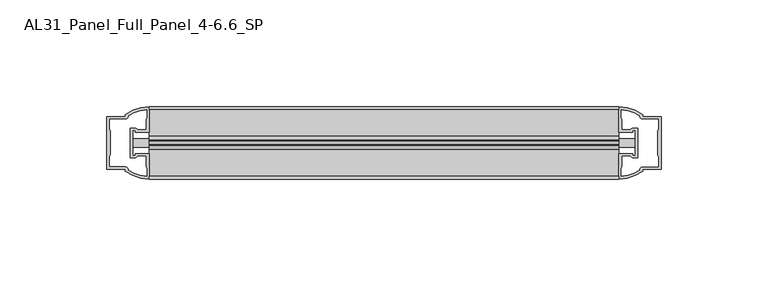
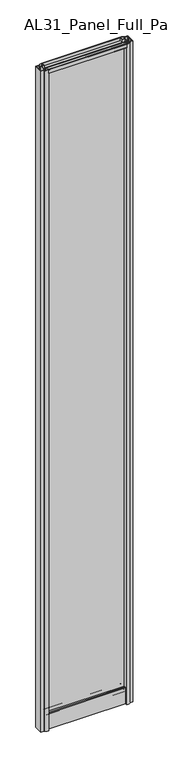
"""IFC4 building model written with IfcOpenShell, lengths in millimetres: plate geometry, AL31_Panel_Full_Panel_4-6.6_SP."""

import ifcopenshell
import ifcopenshell.guid

model = None  # the IFC model being written
_history = None  # IfcOwnerHistory: only IFC2X3 demands one
_inside = {}  # id of a spatial element -> (the spatial element, [elements in it])
_under = {}  # id of a project, library or spatial element -> (it, [spatial elements below it])
_declared = {}  # id of a project -> (the project, [libraries it declares])
_typed = {}  # id of a type object -> (the type object, [elements of that type])
_made_of = {}  # id of a material, layer set ... -> (it, [elements and type objects made of it])


def new_model(schema):
    """Start an empty IFC model of exactly this schema.

    Asked for "IFC4X3", IfcOpenShell would pick the latest addendum, in which some entities
    have other attributes; the version numbers below select the first issue.
    IFC2X3 requires an IfcOwnerHistory on every rooted entity: one is made here for all.
    """
    global model, _history
    if schema == "IFC4X3":
        model = ifcopenshell.file(schema_version=(4, 3, 0, 0))
    else:
        model = ifcopenshell.file(schema=schema)
    _inside.clear()
    _under.clear()
    _declared.clear()
    _typed.clear()
    _made_of.clear()
    _history = None
    if model.schema == "IFC2X3":
        org = make("IfcOrganization", Name="unknown")
        user = make(
            "IfcPersonAndOrganization",
            ThePerson=make("IfcPerson", FamilyName="unknown"),
            TheOrganization=org,
        )
        app = make(
            "IfcApplication",
            ApplicationDeveloper=org,
            Version="unknown",
            ApplicationFullName="unknown",
            ApplicationIdentifier="unknown",
        )
        _history = make(
            "IfcOwnerHistory",
            OwningUser=user,
            OwningApplication=app,
            ChangeAction="ADDED",
            CreationDate=0,
        )
    return model


def make(cls, **values):
    """One entity of the class cls with the attributes given. An attribute that is None is left unset."""
    return model.create_entity(
        cls, **{name: value for name, value in values.items() if value is not None}
    )


def rooted(cls, **values):
    """An entity with a GlobalId (a new one), such as an element, a storey or a relation."""
    return make(cls, GlobalId=ifcopenshell.guid.new(), OwnerHistory=_history, **values)


def si_unit(unit_type, name, prefix=None):
    """IfcSIUnit, for example si_unit("LENGTHUNIT", "METRE", prefix="MILLI")."""
    return make("IfcSIUnit", UnitType=unit_type, Prefix=prefix, Name=name)


def assignment(units):
    """IfcUnitAssignment: the units of a project."""
    return None if units is None else make("IfcUnitAssignment", Units=units)


def point(xyz):
    """IfcCartesianPoint."""
    return None if xyz is None else make("IfcCartesianPoint", Coordinates=xyz)


def direction(xyz):
    """IfcDirection."""
    return None if xyz is None else make("IfcDirection", DirectionRatios=xyz)


def frame(location, z_axis=None, x_axis=None):
    """IfcAxis2Placement3D, a coordinate frame: its origin and axes. An axis left out is left unset."""
    return make(
        "IfcAxis2Placement3D",
        Location=point(location),
        Axis=direction(z_axis),
        RefDirection=direction(x_axis),
    )


def frame_2d(location, x_axis=None):
    """IfcAxis2Placement2D, a coordinate frame in the plane: its origin and x axis."""
    return make(
        "IfcAxis2Placement2D", Location=point(location), RefDirection=direction(x_axis)
    )


def origin():
    """The frame at (0, 0, 0) with its axes left unset."""
    return frame((0.0, 0.0, 0.0))


def origin_with_axes():
    """The frame at (0, 0, 0) with the z axis (0, 0, 1) and the x axis (1, 0, 0) written out."""
    return frame((0.0, 0.0, 0.0), z_axis=(0.0, 0.0, 1.0), x_axis=(1.0, 0.0, 0.0))


def place(relative_to, where):
    """IfcLocalPlacement: puts the frame where relative to a parent placement (None: the world)."""
    return make(
        "IfcLocalPlacement", PlacementRelTo=relative_to, RelativePlacement=where
    )


def context(
    kind, dimensions, precision=None, world=None, true_north=None, identifier=None
):
    """IfcGeometricRepresentationContext, for example the 3D "Model" context."""
    return make(
        "IfcGeometricRepresentationContext",
        ContextIdentifier=identifier,
        ContextType=kind,
        CoordinateSpaceDimension=dimensions,
        Precision=precision,
        WorldCoordinateSystem=world,
        TrueNorth=true_north,
    )


def project(units=None, contexts=None):
    """IfcProject with its units and contexts."""
    return rooted(
        "IfcProject",
        Name="project",
        RepresentationContexts=contexts,
        UnitsInContext=assignment(units),
    )


def spatial(cls, under=None, at=None, **own):
    """A site, building, storey or space (cls), placed at a placement, below another one or the project."""
    s = rooted(cls, ObjectPlacement=at, **own)
    if under is not None:
        _under.setdefault(under.id(), (under, []))[1].append(s)
    return s


def polyline(points):
    """IfcPolyline through the points."""
    return make("IfcPolyline", Points=[point(p) for p in points])


def circle_curve(where, radius):
    """IfcCircle in the frame where."""
    return make("IfcCircle", Position=where, Radius=radius)


def trimmed(basis, trim1, trim2, sense, master):
    """IfcTrimmedCurve: the piece of a basis curve between two trims."""
    return make(
        "IfcTrimmedCurve",
        BasisCurve=basis,
        Trim1=trim1,
        Trim2=trim2,
        SenseAgreement=sense,
        MasterRepresentation=master,
    )


def segment(curve, same_sense, transition):
    """IfcCompositeCurveSegment."""
    return make(
        "IfcCompositeCurveSegment",
        Transition=transition,
        SameSense=same_sense,
        ParentCurve=curve,
    )


def composite_curve(segments, self_intersect=None):
    """IfcCompositeCurve: segments joined end to end."""
    return make("IfcCompositeCurve", Segments=segments, SelfIntersect=self_intersect)


def outline(outer, holes=None, kind="AREA"):
    """IfcArbitraryClosedProfileDef: a profile drawn as a closed curve; with holes, ...WithVoids."""
    if holes is None:
        return make("IfcArbitraryClosedProfileDef", ProfileType=kind, OuterCurve=outer)
    return make(
        "IfcArbitraryProfileDefWithVoids",
        ProfileType=kind,
        OuterCurve=outer,
        InnerCurves=holes,
    )


def extrude(swept, where, along, depth):
    """IfcExtrudedAreaSolid: the profile swept, set in the frame where, extruded along a direction by depth."""
    return make(
        "IfcExtrudedAreaSolid",
        SweptArea=swept,
        Position=where,
        ExtrudedDirection=direction(along),
        Depth=depth,
    )


def shape(context_of_items, identifier, shape_type, items):
    """IfcShapeRepresentation: the items that make up one representation, for example the "Body"."""
    return make(
        "IfcShapeRepresentation",
        ContextOfItems=context_of_items,
        RepresentationIdentifier=identifier,
        RepresentationType=shape_type,
        Items=items,
    )


def source(mapping_origin, context_of_items, identifier, shape_type, items):
    """IfcRepresentationMap: a shape defined once, which mapped items show again and again."""
    return make(
        "IfcRepresentationMap",
        MappingOrigin=mapping_origin,
        MappedRepresentation=shape(context_of_items, identifier, shape_type, items),
    )


def transform(
    local_origin,
    x_axis=None,
    y_axis=None,
    z_axis=None,
    scale=None,
    scale2=None,
    scale3=None,
    uniform=True,
):
    """IfcCartesianTransformationOperator3D, or its non-uniform kind. x_axis, y_axis, z_axis: its Axis1, 2, 3."""
    if uniform:
        return make(
            "IfcCartesianTransformationOperator3D",
            Axis1=direction(x_axis),
            Axis2=direction(y_axis),
            LocalOrigin=point(local_origin),
            Scale=scale,
            Axis3=direction(z_axis),
        )
    return make(
        "IfcCartesianTransformationOperator3DnonUniform",
        Axis1=direction(x_axis),
        Axis2=direction(y_axis),
        LocalOrigin=point(local_origin),
        Scale=scale,
        Axis3=direction(z_axis),
        Scale2=scale2,
        Scale3=scale3,
    )


def mapped(mapping_source, mapping_target):
    """IfcMappedItem: shows the shape of a source again, moved by a transform."""
    return make(
        "IfcMappedItem", MappingSource=mapping_source, MappingTarget=mapping_target
    )


def made_of(thing, what):
    """Note that an element or type object is made of a material, layer set ...; save() writes the relation."""
    if what is not None:
        _made_of.setdefault(what.id(), (what, []))[1].append(thing)
    return thing


def element(
    cls,
    number,
    at=None,
    inside=None,
    cuts=None,
    type_object=None,
    material=None,
    context=None,
    identifier="Body",
    shape_type=None,
    held_by="IfcProductDefinitionShape",
    body=None,
    shapes=None,
    **own,
):
    """One element of the class cls, such as IfcWall. Its Tag is "e" and its number.

    at: its placement. inside: the storey or other place that contains it. cuts: it is an
    opening in that element (IfcRelVoidsElement). A single representation is given by context,
    identifier, shape_type and body (its items); several are given by shapes. held_by: the class
    of the entity that holds the representations. save() writes the other relations.
    """
    e = rooted(cls, Tag="e%d" % number, ObjectPlacement=at, **own)
    if body is not None:
        shapes = [shape(context, identifier, shape_type, body)]
    if shapes is not None:
        e.Representation = make(held_by, Representations=shapes)
    if inside is not None:
        _inside.setdefault(inside.id(), (inside, []))[1].append(e)
    if cuts is not None:
        rooted(
            "IfcRelVoidsElement", RelatingBuildingElement=cuts, RelatedOpeningElement=e
        )
    if type_object is not None:
        _typed.setdefault(type_object.id(), (type_object, []))[1].append(e)
    return made_of(e, material)


def aggregate(whole, parts):
    """IfcRelAggregates: a whole, such as a stair, and the parts it consists of."""
    return rooted("IfcRelAggregates", RelatingObject=whole, RelatedObjects=parts)


def save(model, path):
    """Write the relations noted so far, then the file.

    IfcRelAggregates (storeys below a building ...), IfcRelContainedInSpatialStructure (elements
    in a storey), IfcRelDefinesByType, IfcRelAssociatesMaterial and IfcRelDeclares: one each for
    every whole, place, type object, material and project.
    """
    for whole, parts in _under.values():
        aggregate(whole, parts)
    for where, things in _inside.values():
        rooted(
            "IfcRelContainedInSpatialStructure",
            RelatedElements=things,
            RelatingStructure=where,
        )
    for kind, things in _typed.values():
        rooted("IfcRelDefinesByType", RelatedObjects=things, RelatingType=kind)
    for what, things in _made_of.values():
        rooted("IfcRelAssociatesMaterial", RelatedObjects=things, RelatingMaterial=what)
    for by, libraries in _declared.values():
        rooted("IfcRelDeclares", RelatingContext=by, RelatedDefinitions=libraries)
    model.write(path)


def al31_panel_full_panel_4_6_6_sp_8b919bcc(model_context):
    return source(origin(), model_context, "Body", "SweptSolid", [
        extrude(outline(composite_curve([segment(polyline([(-1.4, 1968.8980762), (-0.85, 1967.9454483)]), True, "CONTINUOUS"), segment(trimmed(circle_curve(frame_2d((0.1, 1966.3)), 1.9), [point((-0.85, 1967.9454483))], [point((1.05, 1967.9454483))], True, "CARTESIAN"), True, "CONTINUOUS"), segment(polyline([(1.05, 1967.9454483), (1.6, 1968.8980762)]), True, "CONTINUOUS"), segment(trimmed(circle_curve(frame_2d((0.1, 1966.3)), 3.0), [point((1.6, 1968.8980762))], [point((2.5718414, 1964.6))], False, "CARTESIAN"), True, "CONTINUOUS"), segment(polyline([(2.5718414, 1964.6), (15.7, 1964.6), (15.7, 1974.0), (17.0, 1974.0), (17.0, 1963.5), (6.7024688, 1963.5), (6.7024688, 1962.7), (6.1968782, 1960.7785039), (6.1968782, 1956.1), (5.0, 1956.1), (5.0, 1961.4339746), (5.5, 1962.3), (5.5, 1963.5), (-5.5, 1963.5), (-5.5, 1962.3), (-5.0, 1961.4339746), (-5.0, 1956.1), (-6.1968782, 1956.1), (-6.1968782, 1960.7785039), (-6.7024688, 1962.7), (-6.7024688, 1963.5), (-17.0, 1963.5), (-17.0, 1974.0), (-15.7, 1974.0), (-15.7, 1964.6), (-2.3718414, 1964.6)]), True, "CONTINUOUS"), segment(trimmed(circle_curve(frame_2d((0.1, 1966.3)), 3.0), [point((-2.3718414, 1964.6))], [point((-1.4, 1968.8980762))], False, "CARTESIAN"), True, "CONTINUOUS")], self_intersect=False)), frame((-110.0, 0.0, 0.0), z_axis=(1.0, 0.0, 0.0), x_axis=(0.0, 1.0, 0.0)), (0.0, 0.0, 1.0), 220.0),
        extrude(outline(composite_curve([segment(polyline([(-117.8414214, -5.9), (-116.6414214, -5.9), (-116.6414214, -5.0), (-110.0, -5.0), (-110.0, -17.0001453)]), True, "CONTINUOUS"), segment(trimmed(circle_curve(frame_2d((-109.6353484, 2.9965302)), 20.0), [point((-110.0, -17.0001453))], [point((-121.3558352, -13.2093388))], False, "CARTESIAN"), True, "CONTINUOUS"), segment(polyline([(-121.3558352, -13.2093388), (-121.3558352, -12.3279343), (-130.0, -12.3279343), (-130.0, 12.3720657), (-121.3558352, 12.3720657), (-121.3558352, 13.2095249)]), True, "CONTINUOUS"), segment(trimmed(circle_curve(frame_2d((-109.6353484, -2.9963441)), 20.0), [point((-121.3558352, 13.2095249))], [point((-110.0, 17.0003314))], False, "CARTESIAN"), True, "CONTINUOUS"), segment(polyline([(-110.0, 17.0003314), (-110.0, 5.0), (-116.6414214, 5.0), (-116.6414214, 5.9), (-117.8414214, 5.9), (-117.8414214, -5.9)]), True, "CONTINUOUS")], self_intersect=False), holes=[composite_curve([segment(trimmed(circle_curve(frame_2d((-116.8414214, 5.7)), 1.5), [point((-116.8414214, 7.2))], [point((-115.4861671, 6.3428731))], False, "CARTESIAN"), True, "CONTINUOUS"), segment(polyline([(-115.4861671, 6.3428731), (-111.7414214, 6.3428731), (-111.7414214, 10.939223), (-111.3020815, 11.9998832), (-111.3020815, 15.6499817)]), True, "CONTINUOUS"), segment(trimmed(circle_curve(frame_2d((-109.6353484, -2.9755921)), 18.7), [point((-111.3020815, 15.6499817))], [point((-119.6421262, 12.8216987))], True, "CARTESIAN"), True, "CONTINUOUS"), segment(trimmed(circle_curve(frame_2d((-121.4414214, 12.8720657)), 1.8), [point((-119.6421262, 12.8216987))], [point((-121.4414214, 11.0720657))], False, "CARTESIAN"), True, "CONTINUOUS"), segment(polyline([(-121.4414214, 11.0720657), (-128.5828427, 11.0720657), (-128.5828427, 6.5019606), (-128.1414214, 5.439223), (-128.1414214, -5.3950916), (-128.6414214, -6.3879987), (-128.6414214, -11.0279343), (-121.4414214, -11.0279343)]), True, "CONTINUOUS"), segment(trimmed(circle_curve(frame_2d((-121.4414214, -12.8279343)), 1.8), [point((-121.4414214, -11.0279343))], [point((-119.6421262, -12.7775673))], False, "CARTESIAN"), True, "CONTINUOUS"), segment(trimmed(circle_curve(frame_2d((-109.6353484, 3.0197235)), 18.7), [point((-119.6421262, -12.7775673))], [point((-111.3020815, -15.6058503))], True, "CARTESIAN"), True, "CONTINUOUS"), segment(polyline([(-111.3020815, -15.6058503), (-111.3020815, -11.9557518), (-111.7414214, -10.8950916), (-111.7414214, -6.2991308), (-115.4662696, -6.2991308)]), True, "CONTINUOUS"), segment(trimmed(circle_curve(frame_2d((-116.8414214, -5.7)), 1.5), [point((-115.4662696, -6.2991308))], [point((-116.8414214, -7.2))], False, "CARTESIAN"), True, "CONTINUOUS"), segment(polyline([(-116.8414214, -7.2), (-119.1414214, -7.2), (-119.1414214, 7.2), (-116.8414214, 7.2)]), True, "CONTINUOUS")], self_intersect=False)]), origin_with_axes(), (0.0, 0.0, 1.0), 1974.0),
        extrude(outline(composite_curve([segment(polyline([(117.8414214, 5.9), (116.6414214, 5.9), (116.6414214, 5.0), (110.0, 5.0), (110.0, 17.0001453)]), True, "CONTINUOUS"), segment(trimmed(circle_curve(frame_2d((109.6353484, -2.9965302)), 20.0), [point((110.0, 17.0001453))], [point((121.3558352, 13.2093388))], False, "CARTESIAN"), True, "CONTINUOUS"), segment(polyline([(121.3558352, 13.2093388), (121.3558352, 12.3279343), (130.0, 12.3279343), (130.0, -12.3720657), (121.3558352, -12.3720657), (121.3558352, -13.2095249)]), True, "CONTINUOUS"), segment(trimmed(circle_curve(frame_2d((109.6353484, 2.9963441)), 20.0), [point((121.3558352, -13.2095249))], [point((110.0, -17.0003314))], False, "CARTESIAN"), True, "CONTINUOUS"), segment(polyline([(110.0, -17.0003314), (110.0, -5.0), (116.6414214, -5.0), (116.6414214, -5.9), (117.8414214, -5.9), (117.8414214, 5.9)]), True, "CONTINUOUS")], self_intersect=False), holes=[composite_curve([segment(trimmed(circle_curve(frame_2d((116.8414214, -5.7)), 1.5), [point((116.8414214, -7.2))], [point((115.4861671, -6.3428731))], False, "CARTESIAN"), True, "CONTINUOUS"), segment(polyline([(115.4861671, -6.3428731), (111.7414214, -6.3428731), (111.7414214, -10.939223), (111.3020815, -11.9998832), (111.3020815, -15.6499817)]), True, "CONTINUOUS"), segment(trimmed(circle_curve(frame_2d((109.6353484, 2.9755921)), 18.7), [point((111.3020815, -15.6499817))], [point((119.6421262, -12.8216987))], True, "CARTESIAN"), True, "CONTINUOUS"), segment(trimmed(circle_curve(frame_2d((121.4414214, -12.8720657)), 1.8), [point((119.6421262, -12.8216987))], [point((121.4414214, -11.0720657))], False, "CARTESIAN"), True, "CONTINUOUS"), segment(polyline([(121.4414214, -11.0720657), (128.5828427, -11.0720657), (128.5828427, -6.5019606), (128.1414214, -5.439223), (128.1414214, 5.3950916), (128.6414214, 6.3879987), (128.6414214, 11.0279343), (121.4414214, 11.0279343)]), True, "CONTINUOUS"), segment(trimmed(circle_curve(frame_2d((121.4414214, 12.8279343)), 1.8), [point((121.4414214, 11.0279343))], [point((119.6421262, 12.7775673))], False, "CARTESIAN"), True, "CONTINUOUS"), segment(trimmed(circle_curve(frame_2d((109.6353484, -3.0197235)), 18.7), [point((119.6421262, 12.7775673))], [point((111.3020815, 15.6058503))], True, "CARTESIAN"), True, "CONTINUOUS"), segment(polyline([(111.3020815, 15.6058503), (111.3020815, 11.9557518), (111.7414214, 10.8950916), (111.7414214, 6.2991308), (115.4662696, 6.2991308)]), True, "CONTINUOUS"), segment(trimmed(circle_curve(frame_2d((116.8414214, 5.7)), 1.5), [point((115.4662696, 6.2991308))], [point((116.8414214, 7.2))], False, "CARTESIAN"), True, "CONTINUOUS"), segment(polyline([(116.8414214, 7.2), (119.1414214, 7.2), (119.1414214, -7.2), (116.8414214, -7.2)]), True, "CONTINUOUS")], self_intersect=False)]), origin_with_axes(), (0.0, 0.0, 1.0), 1974.0),
        extrude(outline(composite_curve([segment(trimmed(circle_curve(frame_2d((-8.4, 34.8)), 1.0), [point((-8.4, 35.8))], [point((-9.4, 34.8))], True, "CARTESIAN"), True, "CONTINUOUS"), segment(polyline([(-9.4, 34.8), (-9.4, 33.5), (-5.0000303, 33.5), (-5.0000303, 32.3), (-9.4, 32.3), (-9.4, 0.0), (-10.6, 0.0), (-10.6, 47.3)]), True, "CONTINUOUS"), segment(trimmed(circle_curve(frame_2d((-8.6, 47.3)), 2.0), [point((-10.6, 47.3))], [point((-8.6, 49.3))], False, "CARTESIAN"), True, "CONTINUOUS"), segment(polyline([(-8.6, 49.3), (-5.0, 49.3), (-5.0, 41.9), (5.0, 41.9), (5.0, 49.3), (8.6, 49.3)]), True, "CONTINUOUS"), segment(trimmed(circle_curve(frame_2d((8.6, 47.3)), 2.0), [point((8.6, 49.3))], [point((10.6, 47.3))], False, "CARTESIAN"), True, "CONTINUOUS"), segment(polyline([(10.6, 47.3), (10.6, 0.0), (9.4, 0.0), (9.4, 32.3), (4.9999697, 32.3), (4.9999697, 33.5), (9.4, 33.5), (9.4, 34.8)]), True, "CONTINUOUS"), segment(trimmed(circle_curve(frame_2d((8.4, 34.8)), 1.0), [point((9.4, 34.8))], [point((8.4, 35.8))], True, "CARTESIAN"), True, "CONTINUOUS"), segment(polyline([(8.4, 35.8), (-8.4, 35.8)]), True, "CONTINUOUS")], self_intersect=False), holes=[composite_curve([segment(trimmed(circle_curve(frame_2d((5.5024688, 41.8)), 1.0), [point((6.5024688, 41.8))], [point((5.5024688, 40.8))], False, "CARTESIAN"), True, "CONTINUOUS"), segment(polyline([(5.5024688, 40.8), (2.8008965, 40.8), (2.8008965, 39.7274194), (1.8370508, 39.7274194)]), True, "CONTINUOUS"), segment(trimmed(circle_curve(frame_2d((0.0, 38.7)), 2.1048387), [point((1.8370508, 39.7274194))], [point((-1.8370508, 39.7274194))], True, "CARTESIAN"), True, "CONTINUOUS"), segment(polyline([(-1.8370508, 39.7274194), (-2.8008965, 39.7274194), (-2.8008965, 40.8), (-5.5024688, 40.8)]), True, "CONTINUOUS"), segment(trimmed(circle_curve(frame_2d((-5.5024688, 41.8)), 1.0), [point((-5.5024688, 40.8))], [point((-6.5024688, 41.8))], False, "CARTESIAN"), True, "CONTINUOUS"), segment(polyline([(-6.5024688, 41.8), (-6.5024688, 42.7)]), True, "CONTINUOUS"), segment(trimmed(circle_curve(frame_2d((-5.3024688, 42.7)), 1.2), [point((-6.5024688, 42.7))], [point((-6.1198184, 43.5786009))], False, "CARTESIAN"), True, "CONTINUOUS"), segment(polyline([(-6.1198184, 43.5786009), (-6.1198184, 48.2), (-8.4, 48.2)]), True, "CONTINUOUS"), segment(trimmed(circle_curve(frame_2d((-8.4, 47.2)), 1.0), [point((-8.4, 48.2))], [point((-9.4, 47.2))], True, "CARTESIAN"), True, "CONTINUOUS"), segment(polyline([(-9.4, 47.2), (-9.4, 37.04), (-2.8008965, 37.04), (-2.8008965, 38.0725806), (-1.8370508, 38.0725806)]), True, "CONTINUOUS"), segment(trimmed(circle_curve(frame_2d((0.0, 39.1)), 2.1048387), [point((-1.8370508, 38.0725806))], [point((1.8370508, 38.0725806))], True, "CARTESIAN"), True, "CONTINUOUS"), segment(polyline([(1.8370508, 38.0725806), (2.8008965, 38.0725806), (2.8008965, 37.04), (9.4, 37.04), (9.4, 47.2)]), True, "CONTINUOUS"), segment(trimmed(circle_curve(frame_2d((8.4, 47.2)), 1.0), [point((9.4, 47.2))], [point((8.4, 48.2))], True, "CARTESIAN"), True, "CONTINUOUS"), segment(polyline([(8.4, 48.2), (6.1198184, 48.2), (6.1198184, 43.7786009)]), True, "CONTINUOUS"), segment(trimmed(circle_curve(frame_2d((5.3024688, 42.9)), 1.2), [point((6.1198184, 43.7786009))], [point((6.5024688, 42.9))], False, "CARTESIAN"), True, "CONTINUOUS"), segment(polyline([(6.5024688, 42.9), (6.5024688, 41.8)]), True, "CONTINUOUS")], self_intersect=False)]), frame((-110.0, 0.0, 0.0), z_axis=(1.0, 0.0, 0.0), x_axis=(0.0, 1.0, 0.0)), (0.0, 0.0, 1.0), 220.0),
        extrude(outline(polyline([(117.8414214, 2.0), (117.8414214, -2.0), (-117.8414214, -2.0), (-117.8414214, 2.0), (117.8414214, 2.0)])), frame((0.0, 0.0, 41.9), z_axis=(0.0, 0.0, 1.0), x_axis=(1.0, 0.0, 0.0)), (0.0, 0.0, 1.0), 1921.6),
    ])


if __name__ == "__main__":
    model = new_model("IFC4")
    model_context = context("Model", 3, world=origin())
    ifc_project = project(units=[si_unit("LENGTHUNIT", "METRE", prefix="MILLI")], contexts=[model_context])
    site = spatial("IfcSite", under=ifc_project)
    building = spatial("IfcBuilding", under=site)
    placement = place(None, origin())
    al31_panel_full_panel_4_6_6_sp_shape = al31_panel_full_panel_4_6_6_sp_8b919bcc(model_context)
    element("IfcPlate", 1, ObjectType="AL31_Panel_Full_Panel_4-6.6_SP", at=placement, inside=building, context=model_context, shape_type="MappedRepresentation", body=[
        mapped(al31_panel_full_panel_4_6_6_sp_shape, transform((0.0, 0.0, 0.0), x_axis=(1.0, 0.0, 0.0), y_axis=(0.0, 1.0, 0.0), z_axis=(0.0, 0.0, 1.0))),
    ])
    save(model, "model.ifc")
